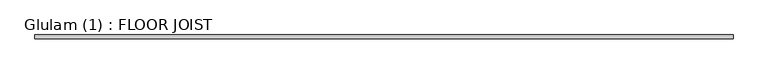
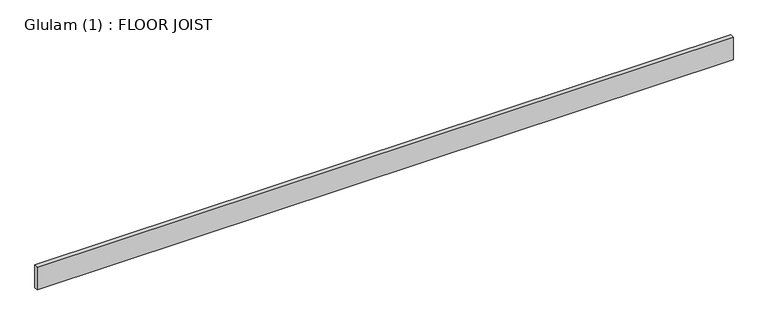
"""IFC4 building model written with IfcOpenShell, lengths in millimetres: beam geometry, Glulam (1) : FLOOR JOIST."""

from ifc_helpers import new_model, si_unit, frame, origin, place, context, project, spatial, polyline, outline, extrude, source, transform, mapped, element, save


def glulam_1_floor_joist_8f3b9aad(model_context):
    return source(origin(), model_context, "Body", "SweptSolid", [
        extrude(outline(polyline([(4179.5, 22.5), (4179.5, -22.5), (-4202.5, -22.5), (-4202.5, 22.5), (4179.5, 22.5)])), frame((0.0, 0.0, -145.0), z_axis=(0.0, 0.0, 1.0), x_axis=(1.0, 0.0, 0.0)), (0.0, 0.0, 1.0), 290.0),
    ])


if __name__ == "__main__":
    model = new_model("IFC4")
    model_context = context("Model", 3, world=origin())
    ifc_project = project(units=[si_unit("LENGTHUNIT", "METRE", prefix="MILLI")], contexts=[model_context])
    site = spatial("IfcSite", under=ifc_project)
    building = spatial("IfcBuilding", under=site)
    placement = place(None, origin())
    glulam_1_floor_joist_shape = glulam_1_floor_joist_8f3b9aad(model_context)
    element("IfcBeam", 1, ObjectType="Glulam (1) : FLOOR JOIST", at=placement, inside=building, context=model_context, shape_type="MappedRepresentation", body=[
        mapped(glulam_1_floor_joist_shape, transform((0.0, 0.0, 0.0), x_axis=(1.0, 0.0, 0.0), y_axis=(0.0, 1.0, 0.0), z_axis=(0.0, 0.0, 1.0))),
    ])
    save(model, "model.ifc")
